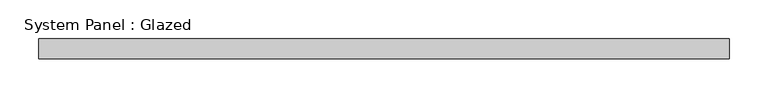
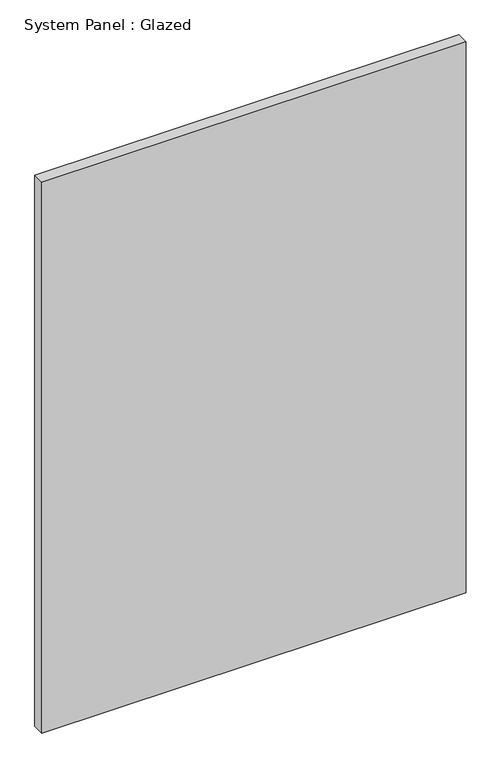
"""IFC4 building model written with IfcOpenShell, lengths in millimetres: plate geometry, System Panel : Glazed."""

from ifc_helpers import new_model, si_unit, origin, origin_with_axes, place, context, project, spatial, polyline, outline, extrude, source, transform, mapped, element, save


def system_panel_glazed_fe99553f(model_context):
    return source(origin(), model_context, "Body", "SweptSolid", [
        extrude(outline(polyline([(444.5, 19.05), (-444.5, 19.05), (-444.5, 44.45), (444.5, 44.45), (444.5, 19.05)])), origin_with_axes(), (0.0, 0.0, 1.0), 1219.2),
    ])


if __name__ == "__main__":
    model = new_model("IFC4")
    model_context = context("Model", 3, world=origin())
    ifc_project = project(units=[si_unit("LENGTHUNIT", "METRE", prefix="MILLI")], contexts=[model_context])
    site = spatial("IfcSite", under=ifc_project)
    building = spatial("IfcBuilding", under=site)
    placement = place(None, origin())
    system_panel_glazed_shape = system_panel_glazed_fe99553f(model_context)
    element("IfcPlate", 1, ObjectType="System Panel : Glazed", at=placement, inside=building, context=model_context, shape_type="MappedRepresentation", body=[
        mapped(system_panel_glazed_shape, transform((0.0, 0.0, 0.0), x_axis=(1.0, 0.0, 0.0), y_axis=(0.0, 1.0, 0.0), z_axis=(0.0, 0.0, 1.0))),
    ])
    save(model, "model.ifc")
